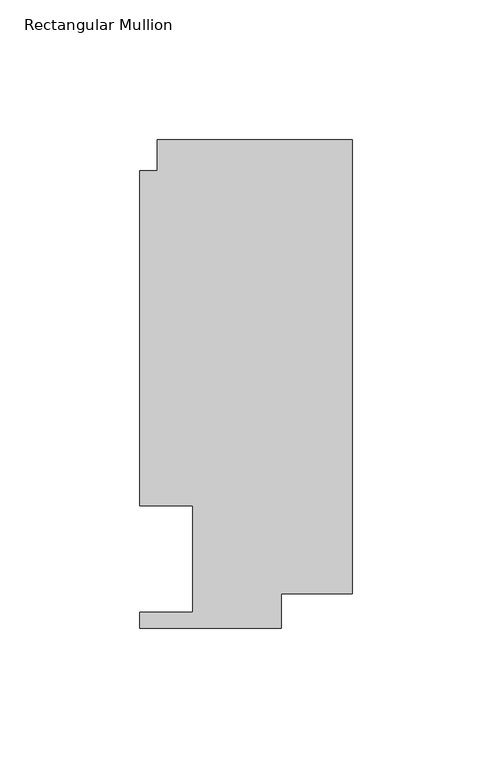
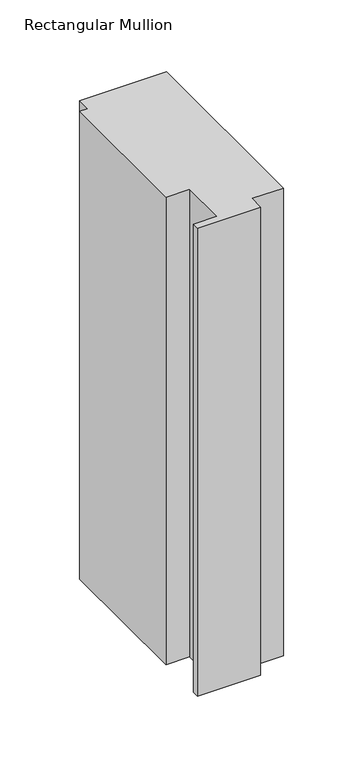
"""IFC4 building model written with IfcOpenShell, lengths in millimetres: member geometry, Rectangular Mullion."""

from ifc_helpers import new_model, si_unit, frame, origin, place, context, project, spatial, polyline, outline, extrude, source, transform, mapped, element, save


def rectangular_mullion_82fadbf5(model_context):
    return source(origin(), model_context, "Body", "SweptSolid", [
        extrude(outline(polyline([(-69.8417664, 163.068), (0.0, 163.068), (0.0, 0.3801778), (-25.4044662, 0.3801778), (-25.4044662, -12.065), (-76.2171663, -12.065), (-76.2171663, -6.35), (-57.1417663, -6.35), (-57.1417663, 31.75), (-76.1917663, 31.75), (-76.1917663, 151.892), (-69.8417664, 151.892), (-69.8417664, 163.068)])), frame((0.0, 0.0, -397.362984), z_axis=(0.0, 0.0, 1.0), x_axis=(1.0, 0.0, 0.0)), (0.0, 0.0, 1.0), 397.362984),
    ])


if __name__ == "__main__":
    model = new_model("IFC4")
    model_context = context("Model", 3, world=origin())
    ifc_project = project(units=[si_unit("LENGTHUNIT", "METRE", prefix="MILLI")], contexts=[model_context])
    site = spatial("IfcSite", under=ifc_project)
    building = spatial("IfcBuilding", under=site)
    placement = place(None, origin())
    rectangular_mullion_shape = rectangular_mullion_82fadbf5(model_context)
    element("IfcMember", 1, ObjectType="Rectangular Mullion", at=placement, inside=building, context=model_context, shape_type="MappedRepresentation", body=[
        mapped(rectangular_mullion_shape, transform((0.0, 0.0, 0.0), x_axis=(1.0, 0.0, 0.0), y_axis=(0.0, 1.0, 0.0), z_axis=(0.0, 0.0, 1.0))),
    ])
    save(model, "model.ifc")
